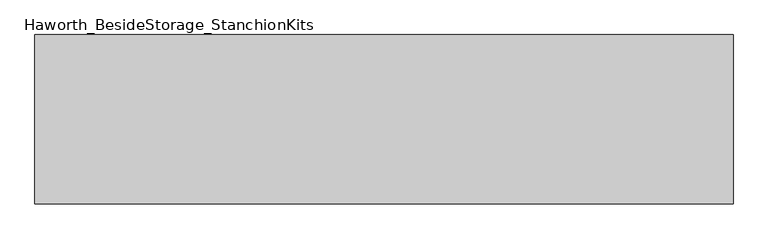
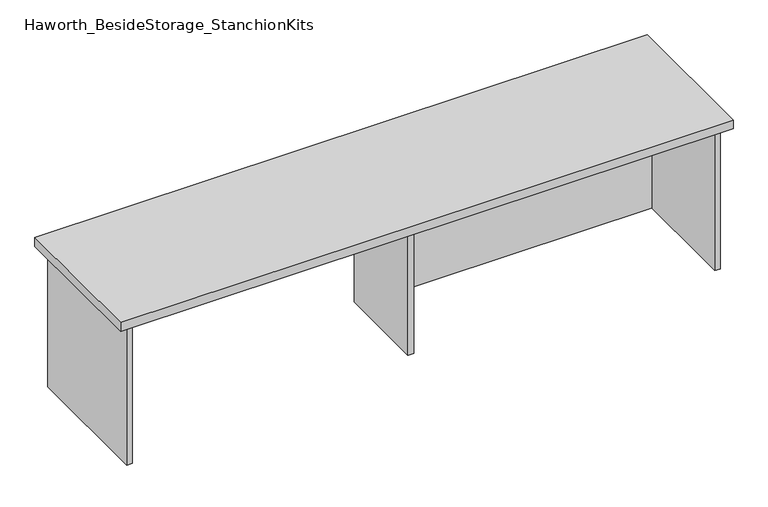
"""IFC4 building model written with IfcOpenShell, lengths in millimetres: furniture geometry, Haworth_BesideStorage_StanchionKits."""

from ifc_helpers import new_model, si_unit, frame, origin, place, context, project, spatial, polyline, outline, extrude, source, transform, mapped, element, save


def haworth_besidestorage_stanchionkits_0c69c441(model_context):
    return source(origin(), model_context, "Body", "SweptSolid", [
        extrude(outline(polyline([(1000.125, 0.0), (1000.125, -406.4), (-676.275, -406.4), (-676.275, 0.0), (1000.125, 0.0)])), frame((0.0, 0.0, 838.2), z_axis=(0.0, 0.0, 1.0), x_axis=(1.0, 0.0, 0.0)), (0.0, 0.0, 1.0), 25.4),
        extrude(outline(polyline([(169.8625, -76.2), (958.85, -76.2), (958.85, -92.075), (169.8625, -92.075), (169.8625, -76.2)])), frame((0.0, 0.0, 431.8), z_axis=(0.0, 0.0, 1.0), x_axis=(1.0, 0.0, 0.0)), (0.0, 0.0, 1.0), 406.4),
        extrude(outline(polyline([(169.8625, -330.2), (153.9875, -330.2), (153.9875, -76.2), (169.8625, -76.2), (169.8625, -330.2)])), frame((0.0, 0.0, 431.8), z_axis=(0.0, 0.0, 1.0), x_axis=(1.0, 0.0, 0.0)), (0.0, 0.0, 1.0), 406.4),
        extrude(outline(polyline([(974.725, -390.525), (958.85, -390.525), (958.85, -15.875), (974.725, -15.875), (974.725, -390.525)])), frame((0.0, 0.0, 431.8), z_axis=(0.0, 0.0, 1.0), x_axis=(1.0, 0.0, 0.0)), (0.0, 0.0, 1.0), 406.4),
        extrude(outline(polyline([(-635.0, -390.525), (-650.875, -390.525), (-650.875, -15.875), (-635.0, -15.875), (-635.0, -390.525)])), frame((0.0, 0.0, 431.8), z_axis=(0.0, 0.0, 1.0), x_axis=(1.0, 0.0, 0.0)), (0.0, 0.0, 1.0), 406.4),
    ])


if __name__ == "__main__":
    model = new_model("IFC4")
    model_context = context("Model", 3, world=origin())
    ifc_project = project(units=[si_unit("LENGTHUNIT", "METRE", prefix="MILLI")], contexts=[model_context])
    site = spatial("IfcSite", under=ifc_project)
    building = spatial("IfcBuilding", under=site)
    placement = place(None, origin())
    haworth_besidestorage_stanchionkits_shape = haworth_besidestorage_stanchionkits_0c69c441(model_context)
    element("IfcFurniture", 1, ObjectType="Haworth_BesideStorage_StanchionKits", at=placement, inside=building, context=model_context, shape_type="MappedRepresentation", body=[
        mapped(haworth_besidestorage_stanchionkits_shape, transform((0.0, 0.0, 0.0), x_axis=(1.0, 0.0, 0.0), y_axis=(0.0, 1.0, 0.0), z_axis=(0.0, 0.0, 1.0))),
    ])
    save(model, "model.ifc")
